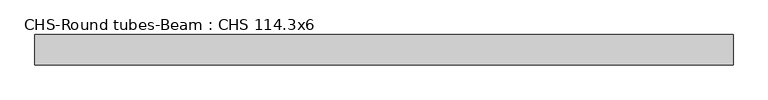
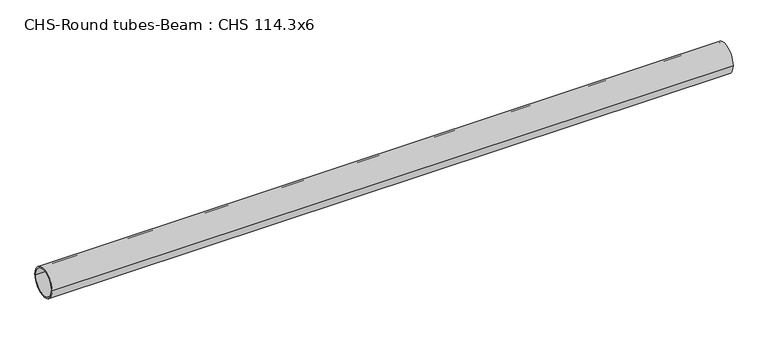
"""IFC4 building model written with IfcOpenShell, lengths in millimetres: beam geometry, CHS-Round tubes-Beam : CHS 114.3x6."""

from ifc_helpers import new_model, si_unit, point, frame, origin, origin_2d, place, context, project, spatial, circle_curve, trimmed, segment, composite_curve, outline, extrude, source, transform, mapped, element, save


def chs_round_tubes_beam_chs_114_3x6_98a70c66(model_context):
    return source(origin(), model_context, "Body", "SweptSolid", [
        extrude(outline(composite_curve([segment(trimmed(circle_curve(origin_2d(), 57.15), [point((57.15, 0.0))], [point((-57.15, 0.0))], False, "CARTESIAN"), True, "CONTINUOUS"), segment(trimmed(circle_curve(origin_2d(), 57.15), [point((-57.15, 0.0))], [point((57.15, 0.0))], False, "CARTESIAN"), True, "CONTINUOUS")], self_intersect=False), holes=[composite_curve([segment(trimmed(circle_curve(origin_2d(), 51.15), [point((51.15, 0.0))], [point((-51.15, 0.0))], True, "CARTESIAN"), True, "CONTINUOUS"), segment(trimmed(circle_curve(origin_2d(), 51.15), [point((-51.15, 0.0))], [point((51.15, 0.0))], True, "CARTESIAN"), True, "CONTINUOUS")], self_intersect=False)]), frame((-1240.1517561, 0.0, 0.0), z_axis=(1.0, 0.0, 0.0), x_axis=(0.0, 1.0, 0.0)), (0.0, 0.0, 1.0), 2644.0022357),
    ])


if __name__ == "__main__":
    model = new_model("IFC4")
    model_context = context("Model", 3, world=origin())
    ifc_project = project(units=[si_unit("LENGTHUNIT", "METRE", prefix="MILLI")], contexts=[model_context])
    site = spatial("IfcSite", under=ifc_project)
    building = spatial("IfcBuilding", under=site)
    placement = place(None, origin())
    chs_round_tubes_beam_chs_114_3x6_shape = chs_round_tubes_beam_chs_114_3x6_98a70c66(model_context)
    element("IfcBeam", 1, ObjectType="CHS-Round tubes-Beam : CHS 114.3x6", at=placement, inside=building, context=model_context, shape_type="MappedRepresentation", body=[
        mapped(chs_round_tubes_beam_chs_114_3x6_shape, transform((0.0, 0.0, 0.0), x_axis=(1.0, 0.0, 0.0), y_axis=(0.0, 1.0, 0.0), z_axis=(0.0, 0.0, 1.0))),
    ])
    save(model, "model.ifc")
